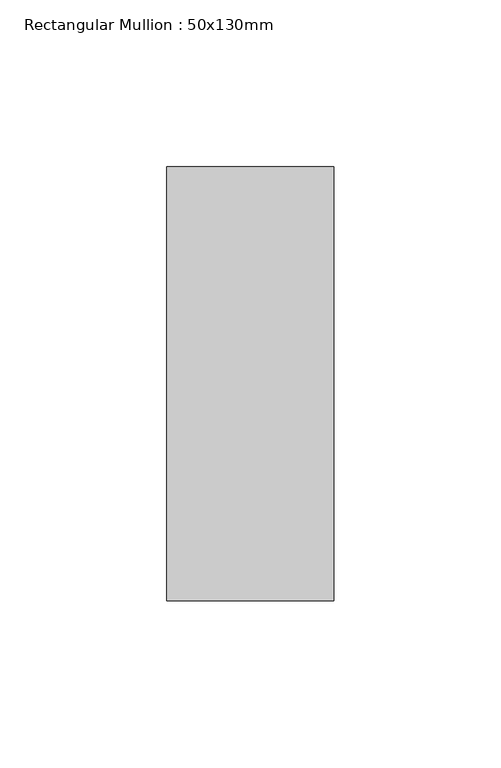
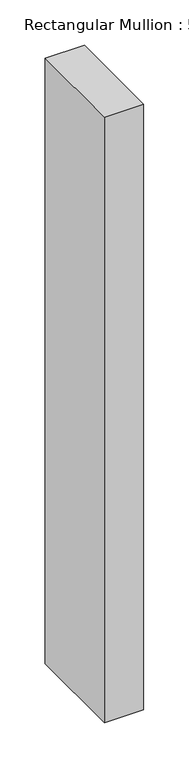
"""IFC4 building model written with IfcOpenShell, lengths in millimetres: member geometry, Rectangular Mullion : 50x130mm."""

from ifc_helpers import new_model, si_unit, frame, origin, place, context, project, spatial, polyline, outline, extrude, source, transform, mapped, element, save


def rectangular_mullion_50x130mm_9b28cd4b(model_context):
    return source(origin(), model_context, "Body", "SweptSolid", [
        extrude(outline(polyline([(0.0, 65.0), (0.0, -65.0), (-50.0, -65.0), (-50.0, 65.0), (0.0, 65.0)])), frame((0.0, 0.0, -812.98475), z_axis=(0.0, 0.0, 1.0), x_axis=(1.0, 0.0, 0.0)), (0.0, 0.0, 1.0), 812.98475),
    ])


if __name__ == "__main__":
    model = new_model("IFC4")
    model_context = context("Model", 3, world=origin())
    ifc_project = project(units=[si_unit("LENGTHUNIT", "METRE", prefix="MILLI")], contexts=[model_context])
    site = spatial("IfcSite", under=ifc_project)
    building = spatial("IfcBuilding", under=site)
    placement = place(None, origin())
    rectangular_mullion_50x130mm_shape = rectangular_mullion_50x130mm_9b28cd4b(model_context)
    element("IfcMember", 1, ObjectType="Rectangular Mullion : 50x130mm", at=placement, inside=building, context=model_context, shape_type="MappedRepresentation", body=[
        mapped(rectangular_mullion_50x130mm_shape, transform((0.0, 0.0, 0.0), x_axis=(1.0, 0.0, 0.0), y_axis=(0.0, 1.0, 0.0), z_axis=(0.0, 0.0, 1.0))),
    ])
    save(model, "model.ifc")
